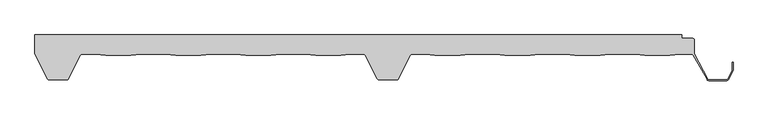
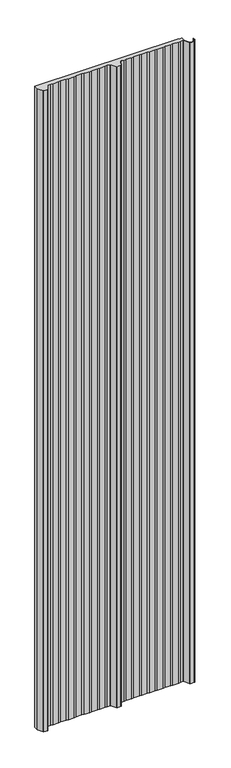
"""IFC4 building model written with IfcOpenShell, lengths in millimetres: proxy geometry."""

from ifc_helpers import new_model, si_unit, point, frame, frame_2d, origin, place, context, project, spatial, polyline, circle_curve, trimmed, segment, composite_curve, outline, extrude, source, transform, mapped, element, save


def generic_models_efdf21c3(model_context):
    return source(origin(), model_context, "Body", "SweptSolid", [
        extrude(outline(composite_curve([segment(polyline([(-34.7672279, 0.4243568), (-34.7672279, 29.1020544), (945.306253, 29.1020544), (945.306253, 24.1020544), (961.2351211, 24.1020544)]), True, "CONTINUOUS"), segment(trimmed(circle_curve(frame_2d((961.2351211, 21.1020544)), 3.0), [point((961.2351211, 24.1020544))], [point((964.2351211, 21.1020544))], False, "CARTESIAN"), True, "CONTINUOUS"), segment(polyline([(964.2351211, 21.1020544), (964.2351211, 0.7965502), (984.5660869, -37.8919418)]), True, "CONTINUOUS"), segment(trimmed(circle_curve(frame_2d((986.3557773, -36.9991886)), 2.0), [point((984.5660869, -37.8919418))], [point((986.3557773, -38.9991886))], True, "CARTESIAN"), True, "CONTINUOUS"), segment(polyline([(986.3557773, -38.9991886), (1013.6874272, -38.9991886)]), True, "CONTINUOUS"), segment(trimmed(circle_curve(frame_2d((1013.6874272, -36.9991886)), 2.0), [point((1013.6874272, -38.9991886))], [point((1015.4767281, -37.8927222))], True, "CARTESIAN"), True, "CONTINUOUS"), segment(polyline([(1015.4767281, -37.8927222), (1022.005913, -24.8180295)]), True, "CONTINUOUS"), segment(trimmed(circle_curve(frame_2d((1020.2166121, -23.9244959)), 2.0), [point((1022.005913, -24.8180295))], [point((1022.2166121, -23.9244959))], True, "CARTESIAN"), True, "CONTINUOUS"), segment(polyline([(1022.2166121, -23.9244959), (1022.2166121, -12.4550557), (1023.2166121, -12.4550557), (1023.2166121, -23.9244959)]), True, "CONTINUOUS"), segment(trimmed(circle_curve(frame_2d((1020.2166121, -23.9244959)), 3.0), [point((1023.2166121, -23.9244959))], [point((1022.9005634, -25.2647963))], False, "CARTESIAN"), True, "CONTINUOUS"), segment(polyline([(1022.9005634, -25.2647963), (1016.3713786, -38.3394889)]), True, "CONTINUOUS"), segment(trimmed(circle_curve(frame_2d((1013.6874272, -36.9991886)), 3.0), [point((1016.3713786, -38.3394889))], [point((1013.6874272, -39.9991886))], False, "CARTESIAN"), True, "CONTINUOUS"), segment(polyline([(1013.6874272, -39.9991886), (986.3384217, -39.9991886)]), True, "CONTINUOUS"), segment(trimmed(circle_curve(frame_2d((986.3384217, -36.9991886)), 3.0), [point((986.3384217, -39.9991886))], [point((983.7108944, -38.44698))], False, "CARTESIAN"), True, "CONTINUOUS"), segment(polyline([(983.7108944, -38.44698), (962.8075869, -1.5506091)]), True, "CONTINUOUS"), segment(trimmed(circle_curve(frame_2d((960.1809415, -3.0)), 3.0), [point((962.8075869, -1.5506091))], [point((960.1809415, 0.0))], True, "CARTESIAN"), True, "CONTINUOUS"), segment(polyline([(960.1809415, 0.0), (942.4369507, 0.0), (927.573234, -1.7979456), (889.4539348, -1.7979456), (874.5902181, 0.0), (836.4369507, 0.0), (821.573234, -1.7979456), (783.4539348, -1.7979456), (768.5902181, 0.0), (730.4369507, 0.0), (715.573234, -1.7979456), (677.4539348, -1.7979456), (662.5902181, 0.0), (624.4369507, 0.0), (609.573234, -1.7979456), (571.4539348, -1.7979456), (556.5902181, 0.0), (536.4373213, 0.0)]), True, "CONTINUOUS"), segment(trimmed(circle_curve(frame_2d((536.856405, -2.9878462)), 3.017094), [point((536.4373213, 0.0))], [point((534.1528136, -1.6486489))], True, "CARTESIAN"), True, "CONTINUOUS"), segment(polyline([(534.1528136, -1.6486489), (515.8288959, -37.3482459)]), True, "CONTINUOUS"), segment(trimmed(circle_curve(frame_2d((513.1449445, -36.0079456)), 3.0), [point((515.8288959, -37.3482459))], [point((513.1449445, -39.0079456))], False, "CARTESIAN"), True, "CONTINUOUS"), segment(polyline([(513.1449445, -39.0079456), (486.8552196, -39.0079456)]), True, "CONTINUOUS"), segment(trimmed(circle_curve(frame_2d((486.8552196, -36.0079456)), 3.0), [point((486.8552196, -39.0079456))], [point((484.1712683, -37.3482459))], False, "CARTESIAN"), True, "CONTINUOUS"), segment(polyline([(484.1712683, -37.3482459), (465.8289057, -1.6576649)]), True, "CONTINUOUS"), segment(trimmed(circle_curve(frame_2d((463.1449543, -2.9979652)), 3.0), [point((465.8289057, -1.6576649))], [point((463.1449543, 0.0020348))], True, "CARTESIAN"), True, "CONTINUOUS"), segment(polyline([(463.1449543, 0.0020348), (443.4267677, 0.0020348), (428.5462294, -1.7979456), (390.4269301, -1.7979456), (375.5632135, 0.0), (337.409946, 0.0), (322.5462294, -1.7979456), (284.4269301, -1.7979456), (269.5632135, 0.0), (231.409946, 0.0), (216.5462294, -1.7979456), (178.4269301, -1.7979456), (163.5632135, 0.0), (125.409946, 0.0), (110.5462294, -1.7979456), (72.4269301, -1.7979456), (57.5632135, 0.0), (36.4387999, 0.0)]), True, "CONTINUOUS"), segment(trimmed(circle_curve(frame_2d((36.4387999, -3.0)), 3.0), [point((36.4387999, 0.0))], [point((33.7548485, -1.6596997))], True, "CARTESIAN"), True, "CONTINUOUS"), segment(polyline([(33.7548485, -1.6596997), (15.8659904, -37.2736842)]), True, "CONTINUOUS"), segment(trimmed(circle_curve(frame_2d((13.1699133, -35.9579456)), 3.0), [point((15.8659904, -37.2736842))], [point((13.1699133, -38.9579456))], False, "CARTESIAN"), True, "CONTINUOUS"), segment(polyline([(13.1699133, -38.9579456), (-13.1662252, -38.9579456)]), True, "CONTINUOUS"), segment(trimmed(circle_curve(frame_2d((-13.1662252, -35.9579456)), 3.0), [point((-13.1662252, -38.9579456))], [point((-15.8623023, -37.2736842))], False, "CARTESIAN"), True, "CONTINUOUS"), segment(polyline([(-15.8623023, -37.2736842), (-34.7672279, 0.4243568)]), True, "CONTINUOUS")], self_intersect=False)), frame((0.0, 0.0, -250.0), z_axis=(0.0, 0.0, 1.0), x_axis=(1.0, 0.0, 0.0)), (0.0, 0.0, 1.0), 4623.800303),
    ])


if __name__ == "__main__":
    model = new_model("IFC4")
    model_context = context("Model", 3, world=origin())
    ifc_project = project(units=[si_unit("LENGTHUNIT", "METRE", prefix="MILLI")], contexts=[model_context])
    site = spatial("IfcSite", under=ifc_project)
    building = spatial("IfcBuilding", under=site)
    placement = place(None, origin())
    generic_models_shape = generic_models_efdf21c3(model_context)
    element("IfcBuildingElementProxy", 1, Name="Generic Models", at=placement, inside=building, context=model_context, shape_type="MappedRepresentation", body=[
        mapped(generic_models_shape, transform((0.0, 0.0, 0.0), x_axis=(1.0, 0.0, 0.0), y_axis=(0.0, 1.0, 0.0), z_axis=(0.0, 0.0, 1.0))),
    ])
    save(model, "model.ifc")
